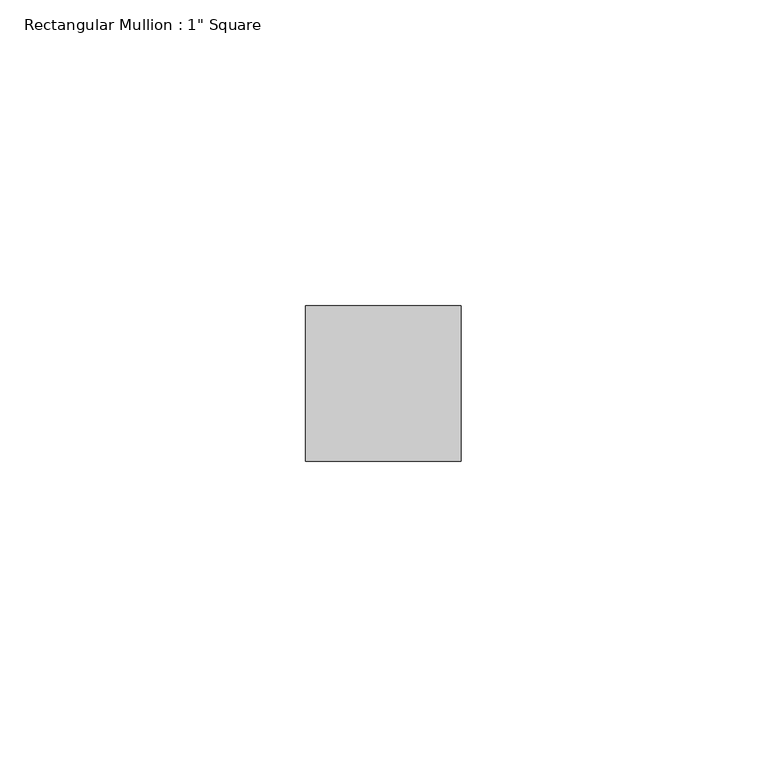
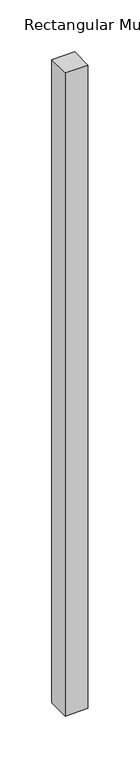
"""IFC4 building model written with IfcOpenShell, lengths in millimetres: member geometry."""

from ifc_helpers import new_model, si_unit, frame, origin, place, context, project, spatial, polyline, outline, extrude, source, transform, mapped, element, save


def member_9925ae2f(model_context):
    return source(origin(), model_context, "Body", "SweptSolid", [
        extrude(outline(polyline([(12.7, 12.7), (12.7, -12.7), (-12.7, -12.7), (-12.7, 12.7), (12.7, 12.7)])), frame((0.0, 0.0, -756.0923731), z_axis=(0.0, 0.0, 1.0), x_axis=(1.0, 0.0, 0.0)), (0.0, 0.0, 1.0), 756.0923731),
    ])


if __name__ == "__main__":
    model = new_model("IFC4")
    model_context = context("Model", 3, world=origin())
    ifc_project = project(units=[si_unit("LENGTHUNIT", "METRE", prefix="MILLI")], contexts=[model_context])
    site = spatial("IfcSite", under=ifc_project)
    building = spatial("IfcBuilding", under=site)
    placement = place(None, origin())
    member_shape = member_9925ae2f(model_context)
    element("IfcMember", 1, ObjectType="Rectangular Mullion : 1\" Square", at=placement, inside=building, context=model_context, shape_type="MappedRepresentation", body=[
        mapped(member_shape, transform((0.0, 0.0, 0.0), x_axis=(1.0, 0.0, 0.0), y_axis=(0.0, 1.0, 0.0), z_axis=(0.0, 0.0, 1.0))),
    ])
    save(model, "model.ifc")
